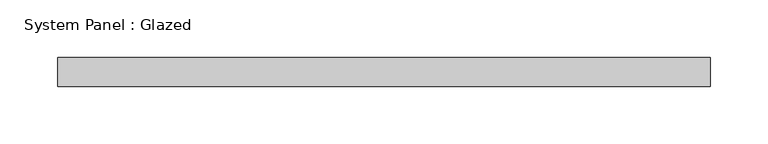
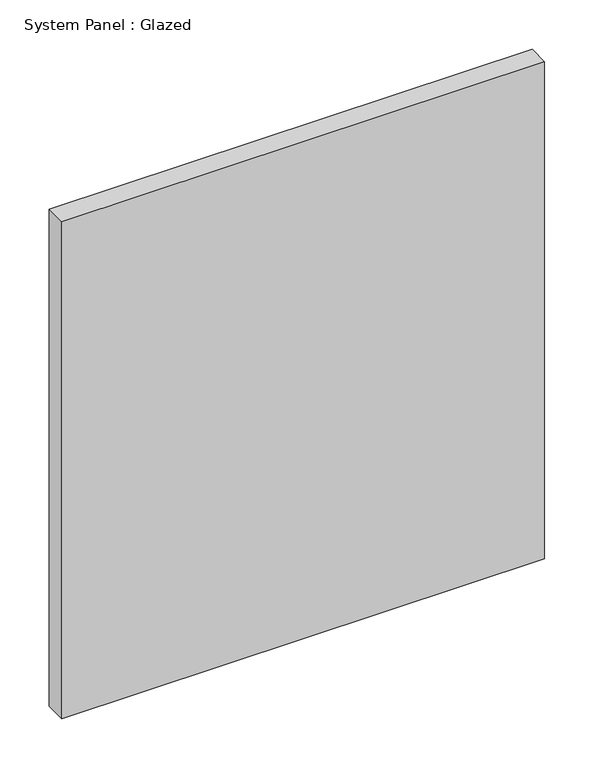
"""IFC4 building model written with IfcOpenShell, lengths in millimetres: plate geometry, System Panel : Glazed."""

from ifc_helpers import new_model, si_unit, origin, origin_with_axes, place, context, project, spatial, polyline, outline, extrude, source, transform, mapped, element, save


def system_panel_glazed_7e9ab358(model_context):
    return source(origin(), model_context, "Body", "SweptSolid", [
        extrude(outline(polyline([(282.75, 24.5), (-282.75, 24.5), (-282.75, 49.5), (282.75, 49.5), (282.75, 24.5)])), origin_with_axes(), (0.0, 0.0, 1.0), 615.0),
    ])


if __name__ == "__main__":
    model = new_model("IFC4")
    model_context = context("Model", 3, world=origin())
    ifc_project = project(units=[si_unit("LENGTHUNIT", "METRE", prefix="MILLI")], contexts=[model_context])
    site = spatial("IfcSite", under=ifc_project)
    building = spatial("IfcBuilding", under=site)
    placement = place(None, origin())
    system_panel_glazed_shape = system_panel_glazed_7e9ab358(model_context)
    element("IfcPlate", 1, ObjectType="System Panel : Glazed", at=placement, inside=building, context=model_context, shape_type="MappedRepresentation", body=[
        mapped(system_panel_glazed_shape, transform((0.0, 0.0, 0.0), x_axis=(1.0, 0.0, 0.0), y_axis=(0.0, 1.0, 0.0), z_axis=(0.0, 0.0, 1.0))),
    ])
    save(model, "model.ifc")
